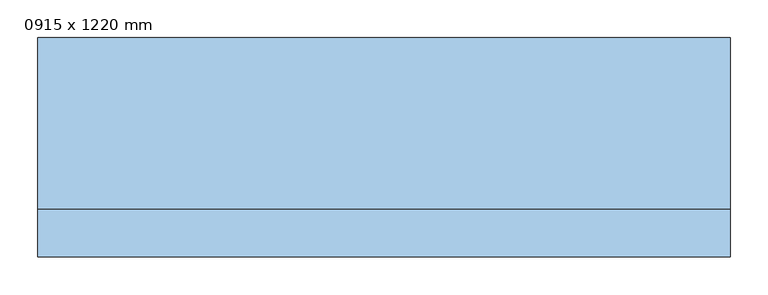
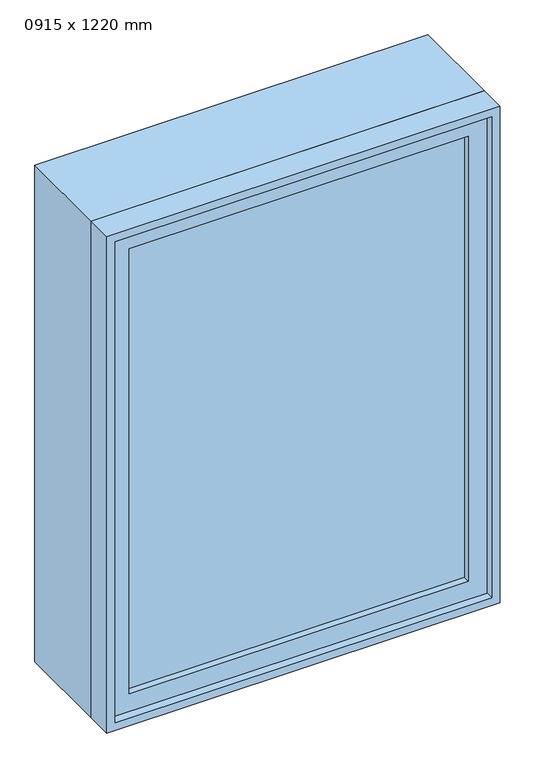
"""IFC4 building model written with IfcOpenShell, lengths in millimetres: window geometry, 0915 x 1220 mm."""

from ifc_helpers import new_model, si_unit, frame, origin, place, context, project, spatial, polyline, outline, extrude, source, transform, mapped, element, save


def window_0915_x_1220_mm_c43531ea(model_context):
    return source(origin(), model_context, "Body", "SweptSolid", [
        extrude(outline(polyline([(-394.5, -123.0), (-394.5, -111.0), (394.5, -111.0), (394.5, -123.0), (-394.5, -123.0)])), frame((0.0, 0.0, 978.0), z_axis=(0.0, 0.0, 1.0), x_axis=(1.0, 0.0, 0.0)), (0.0, 0.0, 1.0), 1094.0),
        extrude(outline(polyline([(2116.0, -438.5), (934.0, -438.5), (934.0, 438.5), (2116.0, 438.5), (2116.0, -438.5)]), holes=[polyline([(2072.0, -394.5), (2072.0, 394.5), (978.0, 394.5), (978.0, -394.5), (2072.0, -394.5)])]), frame((0.0, -139.0, 0.0), z_axis=(0.0, 1.0, 0.0), x_axis=(0.0, 0.0, 1.0)), (0.0, 0.0, 1.0), 44.0),
        extrude(outline(polyline([(2135.0, -457.5), (915.0, -457.5), (915.0, 457.5), (2135.0, 457.5), (2135.0, -457.5)]), holes=[polyline([(2116.0, -438.5), (2116.0, 438.5), (934.0, 438.5), (934.0, -438.5), (2116.0, -438.5)])]), frame((0.0, -158.0, 0.0), z_axis=(0.0, 1.0, 0.0), x_axis=(0.0, 0.0, 1.0)), (0.0, 0.0, 1.0), 63.0),
        extrude(outline(polyline([(2135.0, -457.5), (915.0, -457.5), (915.0, 457.5), (2135.0, 457.5), (2135.0, -457.5)]), holes=[polyline([(2103.0, -425.5), (2103.0, 425.5), (947.0, 425.5), (947.0, -425.5), (2103.0, -425.5)])]), frame((0.0, -95.0, 0.0), z_axis=(0.0, 1.0, 0.0), x_axis=(0.0, 0.0, 1.0)), (0.0, 0.0, 1.0), 227.0),
    ])


if __name__ == "__main__":
    model = new_model("IFC4")
    model_context = context("Model", 3, world=origin())
    ifc_project = project(units=[si_unit("LENGTHUNIT", "METRE", prefix="MILLI")], contexts=[model_context])
    site = spatial("IfcSite", under=ifc_project)
    building = spatial("IfcBuilding", under=site)
    placement = place(None, origin())
    window_0915_x_1220_mm_shape = window_0915_x_1220_mm_c43531ea(model_context)
    element("IfcWindow", 1, ObjectType="0915 x 1220 mm", at=placement, inside=building, context=model_context, shape_type="MappedRepresentation", body=[
        mapped(window_0915_x_1220_mm_shape, transform((0.0, 0.0, 0.0), x_axis=(1.0, 0.0, 0.0), y_axis=(0.0, 1.0, 0.0), z_axis=(0.0, 0.0, 1.0))),
    ])
    save(model, "model.ifc")
